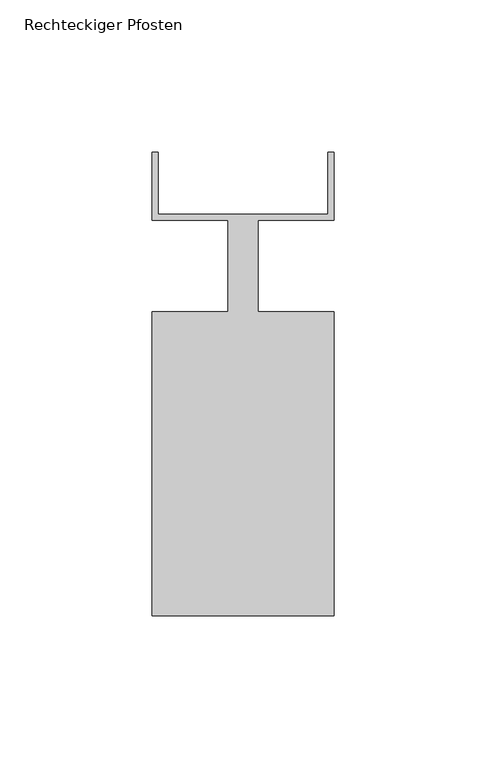
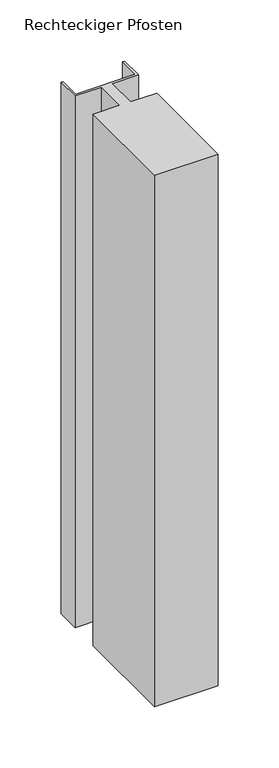
"""IFC4 building model written with IfcOpenShell, lengths in millimetres: member geometry, Rechteckiger Pfosten."""

from ifc_helpers import new_model, si_unit, frame, origin, place, context, project, spatial, polyline, outline, extrude, source, transform, mapped, element, save


def rechteckiger_pfosten_33bafd3d(model_context):
    return source(origin(), model_context, "Body", "SweptSolid", [
        extrude(outline(polyline([(28.0, 37.5), (30.0, 37.5), (30.0, 15.0), (5.0, 15.0), (5.0, -15.0), (30.0, -15.0), (30.0, -115.0), (-30.0, -115.0), (-30.0, -15.0), (-5.0, -15.0), (-5.0, 15.0), (-30.0, 15.0), (-30.0, 37.5), (-28.0, 37.5), (-28.0, 17.0), (28.0, 17.0), (28.0, 37.5)])), frame((0.0, 0.0, -530.0), z_axis=(0.0, 0.0, 1.0), x_axis=(1.0, 0.0, 0.0)), (0.0, 0.0, 1.0), 530.0),
    ])


if __name__ == "__main__":
    model = new_model("IFC4")
    model_context = context("Model", 3, world=origin())
    ifc_project = project(units=[si_unit("LENGTHUNIT", "METRE", prefix="MILLI")], contexts=[model_context])
    site = spatial("IfcSite", under=ifc_project)
    building = spatial("IfcBuilding", under=site)
    placement = place(None, origin())
    rechteckiger_pfosten_shape = rechteckiger_pfosten_33bafd3d(model_context)
    element("IfcMember", 1, ObjectType="Rechteckiger Pfosten", at=placement, inside=building, context=model_context, shape_type="MappedRepresentation", body=[
        mapped(rechteckiger_pfosten_shape, transform((0.0, 0.0, 0.0), x_axis=(1.0, 0.0, 0.0), y_axis=(0.0, 1.0, 0.0), z_axis=(0.0, 0.0, 1.0))),
    ])
    save(model, "model.ifc")
